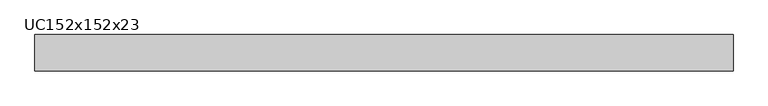
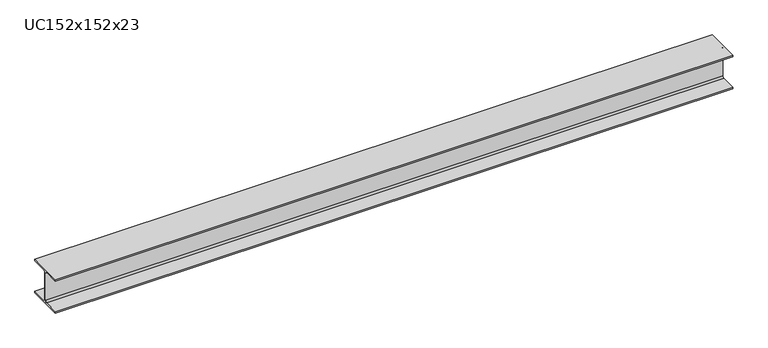
"""IFC4 building model written with IfcOpenShell, lengths in millimetres: beam geometry, UC152x152x23."""

from ifc_helpers import new_model, si_unit, point, frame, frame_2d, origin, place, context, project, spatial, polyline, circle_curve, trimmed, segment, composite_curve, outline, extrude, source, transform, mapped, element, save


def uc152x152x23_610b355f(model_context):
    return source(origin(), model_context, "Body", "SweptSolid", [
        extrude(outline(composite_curve([segment(polyline([(76.1, -69.4), (76.1, -76.2), (-76.1, -76.2), (-76.1, -69.4), (-10.5, -69.4)]), True, "CONTINUOUS"), segment(trimmed(circle_curve(frame_2d((-10.5, -61.8)), 7.6), [point((-10.5, -69.4))], [point((-2.9, -61.8))], True, "CARTESIAN"), True, "CONTINUOUS"), segment(polyline([(-2.9, -61.8), (-2.9, 61.8)]), True, "CONTINUOUS"), segment(trimmed(circle_curve(frame_2d((-10.5, 61.8)), 7.6), [point((-2.9, 61.8))], [point((-10.5, 69.4))], True, "CARTESIAN"), True, "CONTINUOUS"), segment(polyline([(-10.5, 69.4), (-76.1, 69.4), (-76.1, 76.2), (76.1, 76.2), (76.1, 69.4), (10.5, 69.4)]), True, "CONTINUOUS"), segment(trimmed(circle_curve(frame_2d((10.5, 61.8)), 7.6), [point((10.5, 69.4))], [point((2.9, 61.8))], True, "CARTESIAN"), True, "CONTINUOUS"), segment(polyline([(2.9, 61.8), (2.9, -61.8)]), True, "CONTINUOUS"), segment(trimmed(circle_curve(frame_2d((10.5, -61.8)), 7.6), [point((2.9, -61.8))], [point((10.5, -69.4))], True, "CARTESIAN"), True, "CONTINUOUS"), segment(polyline([(10.5, -69.4), (76.1, -69.4)]), True, "CONTINUOUS")], self_intersect=False)), frame((-1238.5, 0.0, 0.0), z_axis=(1.0, 0.0, 0.0), x_axis=(0.0, 1.0, 0.0)), (0.0, 0.0, 1.0), 2920.897),
    ])


if __name__ == "__main__":
    model = new_model("IFC4")
    model_context = context("Model", 3, world=origin())
    ifc_project = project(units=[si_unit("LENGTHUNIT", "METRE", prefix="MILLI")], contexts=[model_context])
    site = spatial("IfcSite", under=ifc_project)
    building = spatial("IfcBuilding", under=site)
    placement = place(None, origin())
    uc152x152x23_shape = uc152x152x23_610b355f(model_context)
    element("IfcBeam", 1, ObjectType="UC152x152x23", at=placement, inside=building, context=model_context, shape_type="MappedRepresentation", body=[
        mapped(uc152x152x23_shape, transform((0.0, 0.0, 0.0), x_axis=(1.0, 0.0, 0.0), y_axis=(0.0, 1.0, 0.0), z_axis=(0.0, 0.0, 1.0))),
    ])
    save(model, "model.ifc")
